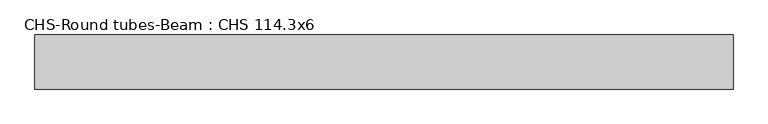
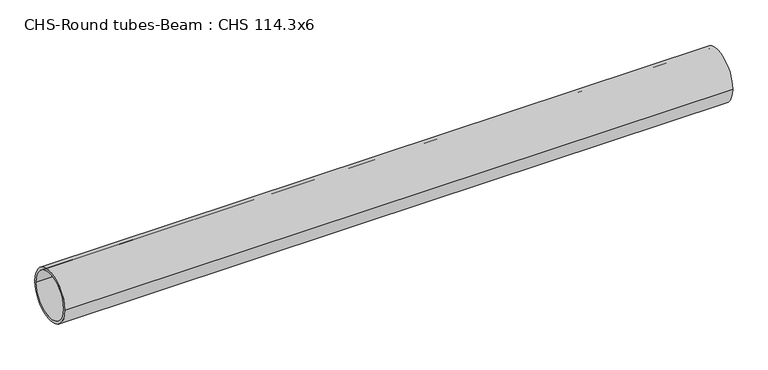
"""IFC4 building model written with IfcOpenShell, lengths in millimetres: beam geometry, CHS-Round tubes-Beam : CHS 114.3x6."""

import ifcopenshell
import ifcopenshell.guid

model = None  # the IFC model being written
_history = None  # IfcOwnerHistory: only IFC2X3 demands one
_inside = {}  # id of a spatial element -> (the spatial element, [elements in it])
_under = {}  # id of a project, library or spatial element -> (it, [spatial elements below it])
_declared = {}  # id of a project -> (the project, [libraries it declares])
_typed = {}  # id of a type object -> (the type object, [elements of that type])
_made_of = {}  # id of a material, layer set ... -> (it, [elements and type objects made of it])


def new_model(schema):
    """Start an empty IFC model of exactly this schema.

    Asked for "IFC4X3", IfcOpenShell would pick the latest addendum, in which some entities
    have other attributes; the version numbers below select the first issue.
    IFC2X3 requires an IfcOwnerHistory on every rooted entity: one is made here for all.
    """
    global model, _history
    if schema == "IFC4X3":
        model = ifcopenshell.file(schema_version=(4, 3, 0, 0))
    else:
        model = ifcopenshell.file(schema=schema)
    _inside.clear()
    _under.clear()
    _declared.clear()
    _typed.clear()
    _made_of.clear()
    _history = None
    if model.schema == "IFC2X3":
        org = make("IfcOrganization", Name="unknown")
        user = make(
            "IfcPersonAndOrganization",
            ThePerson=make("IfcPerson", FamilyName="unknown"),
            TheOrganization=org,
        )
        app = make(
            "IfcApplication",
            ApplicationDeveloper=org,
            Version="unknown",
            ApplicationFullName="unknown",
            ApplicationIdentifier="unknown",
        )
        _history = make(
            "IfcOwnerHistory",
            OwningUser=user,
            OwningApplication=app,
            ChangeAction="ADDED",
            CreationDate=0,
        )
    return model


def make(cls, **values):
    """One entity of the class cls with the attributes given. An attribute that is None is left unset."""
    return model.create_entity(
        cls, **{name: value for name, value in values.items() if value is not None}
    )


def rooted(cls, **values):
    """An entity with a GlobalId (a new one), such as an element, a storey or a relation."""
    return make(cls, GlobalId=ifcopenshell.guid.new(), OwnerHistory=_history, **values)


def si_unit(unit_type, name, prefix=None):
    """IfcSIUnit, for example si_unit("LENGTHUNIT", "METRE", prefix="MILLI")."""
    return make("IfcSIUnit", UnitType=unit_type, Prefix=prefix, Name=name)


def assignment(units):
    """IfcUnitAssignment: the units of a project."""
    return None if units is None else make("IfcUnitAssignment", Units=units)


def point(xyz):
    """IfcCartesianPoint."""
    return None if xyz is None else make("IfcCartesianPoint", Coordinates=xyz)


def direction(xyz):
    """IfcDirection."""
    return None if xyz is None else make("IfcDirection", DirectionRatios=xyz)


def frame(location, z_axis=None, x_axis=None):
    """IfcAxis2Placement3D, a coordinate frame: its origin and axes. An axis left out is left unset."""
    return make(
        "IfcAxis2Placement3D",
        Location=point(location),
        Axis=direction(z_axis),
        RefDirection=direction(x_axis),
    )


def frame_2d(location, x_axis=None):
    """IfcAxis2Placement2D, a coordinate frame in the plane: its origin and x axis."""
    return make(
        "IfcAxis2Placement2D", Location=point(location), RefDirection=direction(x_axis)
    )


def origin():
    """The frame at (0, 0, 0) with its axes left unset."""
    return frame((0.0, 0.0, 0.0))


def origin_2d():
    """The frame at (0, 0) in the plane with its x axis left unset."""
    return frame_2d((0.0, 0.0))


def place(relative_to, where):
    """IfcLocalPlacement: puts the frame where relative to a parent placement (None: the world)."""
    return make(
        "IfcLocalPlacement", PlacementRelTo=relative_to, RelativePlacement=where
    )


def context(
    kind, dimensions, precision=None, world=None, true_north=None, identifier=None
):
    """IfcGeometricRepresentationContext, for example the 3D "Model" context."""
    return make(
        "IfcGeometricRepresentationContext",
        ContextIdentifier=identifier,
        ContextType=kind,
        CoordinateSpaceDimension=dimensions,
        Precision=precision,
        WorldCoordinateSystem=world,
        TrueNorth=true_north,
    )


def project(units=None, contexts=None):
    """IfcProject with its units and contexts."""
    return rooted(
        "IfcProject",
        Name="project",
        RepresentationContexts=contexts,
        UnitsInContext=assignment(units),
    )


def spatial(cls, under=None, at=None, **own):
    """A site, building, storey or space (cls), placed at a placement, below another one or the project."""
    s = rooted(cls, ObjectPlacement=at, **own)
    if under is not None:
        _under.setdefault(under.id(), (under, []))[1].append(s)
    return s


def circle_curve(where, radius):
    """IfcCircle in the frame where."""
    return make("IfcCircle", Position=where, Radius=radius)


def trimmed(basis, trim1, trim2, sense, master):
    """IfcTrimmedCurve: the piece of a basis curve between two trims."""
    return make(
        "IfcTrimmedCurve",
        BasisCurve=basis,
        Trim1=trim1,
        Trim2=trim2,
        SenseAgreement=sense,
        MasterRepresentation=master,
    )


def segment(curve, same_sense, transition):
    """IfcCompositeCurveSegment."""
    return make(
        "IfcCompositeCurveSegment",
        Transition=transition,
        SameSense=same_sense,
        ParentCurve=curve,
    )


def composite_curve(segments, self_intersect=None):
    """IfcCompositeCurve: segments joined end to end."""
    return make("IfcCompositeCurve", Segments=segments, SelfIntersect=self_intersect)


def outline(outer, holes=None, kind="AREA"):
    """IfcArbitraryClosedProfileDef: a profile drawn as a closed curve; with holes, ...WithVoids."""
    if holes is None:
        return make("IfcArbitraryClosedProfileDef", ProfileType=kind, OuterCurve=outer)
    return make(
        "IfcArbitraryProfileDefWithVoids",
        ProfileType=kind,
        OuterCurve=outer,
        InnerCurves=holes,
    )


def extrude(swept, where, along, depth):
    """IfcExtrudedAreaSolid: the profile swept, set in the frame where, extruded along a direction by depth."""
    return make(
        "IfcExtrudedAreaSolid",
        SweptArea=swept,
        Position=where,
        ExtrudedDirection=direction(along),
        Depth=depth,
    )


def shape(context_of_items, identifier, shape_type, items):
    """IfcShapeRepresentation: the items that make up one representation, for example the "Body"."""
    return make(
        "IfcShapeRepresentation",
        ContextOfItems=context_of_items,
        RepresentationIdentifier=identifier,
        RepresentationType=shape_type,
        Items=items,
    )


def source(mapping_origin, context_of_items, identifier, shape_type, items):
    """IfcRepresentationMap: a shape defined once, which mapped items show again and again."""
    return make(
        "IfcRepresentationMap",
        MappingOrigin=mapping_origin,
        MappedRepresentation=shape(context_of_items, identifier, shape_type, items),
    )


def transform(
    local_origin,
    x_axis=None,
    y_axis=None,
    z_axis=None,
    scale=None,
    scale2=None,
    scale3=None,
    uniform=True,
):
    """IfcCartesianTransformationOperator3D, or its non-uniform kind. x_axis, y_axis, z_axis: its Axis1, 2, 3."""
    if uniform:
        return make(
            "IfcCartesianTransformationOperator3D",
            Axis1=direction(x_axis),
            Axis2=direction(y_axis),
            LocalOrigin=point(local_origin),
            Scale=scale,
            Axis3=direction(z_axis),
        )
    return make(
        "IfcCartesianTransformationOperator3DnonUniform",
        Axis1=direction(x_axis),
        Axis2=direction(y_axis),
        LocalOrigin=point(local_origin),
        Scale=scale,
        Axis3=direction(z_axis),
        Scale2=scale2,
        Scale3=scale3,
    )


def mapped(mapping_source, mapping_target):
    """IfcMappedItem: shows the shape of a source again, moved by a transform."""
    return make(
        "IfcMappedItem", MappingSource=mapping_source, MappingTarget=mapping_target
    )


def made_of(thing, what):
    """Note that an element or type object is made of a material, layer set ...; save() writes the relation."""
    if what is not None:
        _made_of.setdefault(what.id(), (what, []))[1].append(thing)
    return thing


def element(
    cls,
    number,
    at=None,
    inside=None,
    cuts=None,
    type_object=None,
    material=None,
    context=None,
    identifier="Body",
    shape_type=None,
    held_by="IfcProductDefinitionShape",
    body=None,
    shapes=None,
    **own,
):
    """One element of the class cls, such as IfcWall. Its Tag is "e" and its number.

    at: its placement. inside: the storey or other place that contains it. cuts: it is an
    opening in that element (IfcRelVoidsElement). A single representation is given by context,
    identifier, shape_type and body (its items); several are given by shapes. held_by: the class
    of the entity that holds the representations. save() writes the other relations.
    """
    e = rooted(cls, Tag="e%d" % number, ObjectPlacement=at, **own)
    if body is not None:
        shapes = [shape(context, identifier, shape_type, body)]
    if shapes is not None:
        e.Representation = make(held_by, Representations=shapes)
    if inside is not None:
        _inside.setdefault(inside.id(), (inside, []))[1].append(e)
    if cuts is not None:
        rooted(
            "IfcRelVoidsElement", RelatingBuildingElement=cuts, RelatedOpeningElement=e
        )
    if type_object is not None:
        _typed.setdefault(type_object.id(), (type_object, []))[1].append(e)
    return made_of(e, material)


def aggregate(whole, parts):
    """IfcRelAggregates: a whole, such as a stair, and the parts it consists of."""
    return rooted("IfcRelAggregates", RelatingObject=whole, RelatedObjects=parts)


def save(model, path):
    """Write the relations noted so far, then the file.

    IfcRelAggregates (storeys below a building ...), IfcRelContainedInSpatialStructure (elements
    in a storey), IfcRelDefinesByType, IfcRelAssociatesMaterial and IfcRelDeclares: one each for
    every whole, place, type object, material and project.
    """
    for whole, parts in _under.values():
        aggregate(whole, parts)
    for where, things in _inside.values():
        rooted(
            "IfcRelContainedInSpatialStructure",
            RelatedElements=things,
            RelatingStructure=where,
        )
    for kind, things in _typed.values():
        rooted("IfcRelDefinesByType", RelatedObjects=things, RelatingType=kind)
    for what, things in _made_of.values():
        rooted("IfcRelAssociatesMaterial", RelatedObjects=things, RelatingMaterial=what)
    for by, libraries in _declared.values():
        rooted("IfcRelDeclares", RelatingContext=by, RelatedDefinitions=libraries)
    model.write(path)


def chs_round_tubes_beam_chs_114_3x6_e7e321c2(model_context):
    return source(origin(), model_context, "Body", "SweptSolid", [
        extrude(outline(composite_curve([segment(trimmed(circle_curve(origin_2d(), 57.15), [point((57.15, 0.0))], [point((-57.15, 0.0))], False, "CARTESIAN"), True, "CONTINUOUS"), segment(trimmed(circle_curve(origin_2d(), 57.15), [point((-57.15, 0.0))], [point((57.15, 0.0))], False, "CARTESIAN"), True, "CONTINUOUS")], self_intersect=False), holes=[composite_curve([segment(trimmed(circle_curve(origin_2d(), 51.15), [point((51.15, 0.0))], [point((-51.15, 0.0))], True, "CARTESIAN"), True, "CONTINUOUS"), segment(trimmed(circle_curve(origin_2d(), 51.15), [point((-51.15, 0.0))], [point((51.15, 0.0))], True, "CARTESIAN"), True, "CONTINUOUS")], self_intersect=False)]), frame((-756.447155, 0.0, 0.0), z_axis=(1.0, 0.0, 0.0), x_axis=(0.0, 1.0, 0.0)), (0.0, 0.0, 1.0), 1475.3780296),
    ])


if __name__ == "__main__":
    model = new_model("IFC4")
    model_context = context("Model", 3, world=origin())
    ifc_project = project(units=[si_unit("LENGTHUNIT", "METRE", prefix="MILLI")], contexts=[model_context])
    site = spatial("IfcSite", under=ifc_project)
    building = spatial("IfcBuilding", under=site)
    placement = place(None, origin())
    chs_round_tubes_beam_chs_114_3x6_shape = chs_round_tubes_beam_chs_114_3x6_e7e321c2(model_context)
    element("IfcBeam", 1, ObjectType="CHS-Round tubes-Beam : CHS 114.3x6", at=placement, inside=building, context=model_context, shape_type="MappedRepresentation", body=[
        mapped(chs_round_tubes_beam_chs_114_3x6_shape, transform((0.0, 0.0, 0.0), x_axis=(1.0, 0.0, 0.0), y_axis=(0.0, 1.0, 0.0), z_axis=(0.0, 0.0, 1.0))),
    ])
    save(model, "model.ifc")
